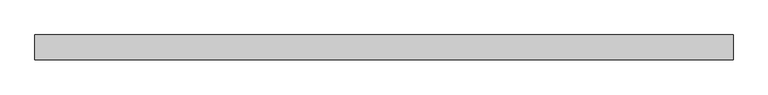
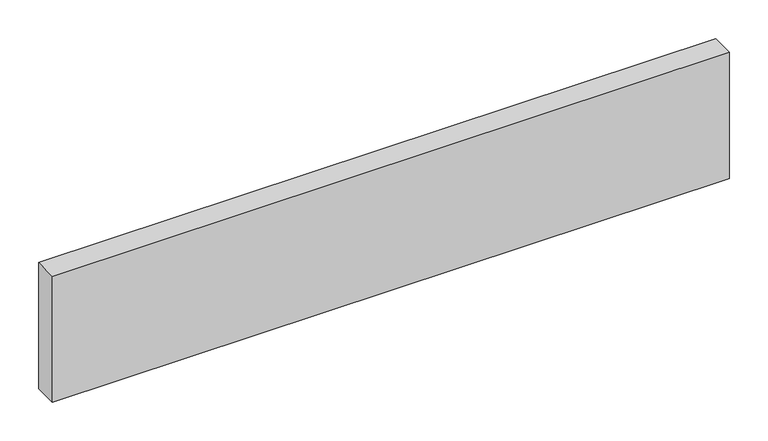
"""IFC4 building model written with IfcOpenShell, lengths in millimetres: beam geometry."""

from ifc_helpers import new_model, si_unit, frame, origin, place, context, project, spatial, polyline, outline, extrude, source, transform, mapped, element, save


def beam_da5fb1d9(model_context):
    return source(origin(), model_context, "Body", "SweptSolid", [
        extrude(outline(polyline([(507.2, -18.0), (-507.2, -18.0), (-507.2, 18.0), (507.2, 18.0), (507.2, -18.0)])), frame((0.0, 0.0, -100.0), z_axis=(0.0, 0.0, 1.0), x_axis=(1.0, 0.0, 0.0)), (0.0, 0.0, 1.0), 200.0),
    ])


if __name__ == "__main__":
    model = new_model("IFC4")
    model_context = context("Model", 3, world=origin())
    ifc_project = project(units=[si_unit("LENGTHUNIT", "METRE", prefix="MILLI")], contexts=[model_context])
    site = spatial("IfcSite", under=ifc_project)
    building = spatial("IfcBuilding", under=site)
    placement = place(None, origin())
    beam_shape = beam_da5fb1d9(model_context)
    element("IfcBeam", 1, at=placement, inside=building, context=model_context, shape_type="MappedRepresentation", body=[
        mapped(beam_shape, transform((0.0, 0.0, 0.0), x_axis=(1.0, 0.0, 0.0), y_axis=(0.0, 1.0, 0.0), z_axis=(0.0, 0.0, 1.0))),
    ])
    save(model, "model.ifc")
